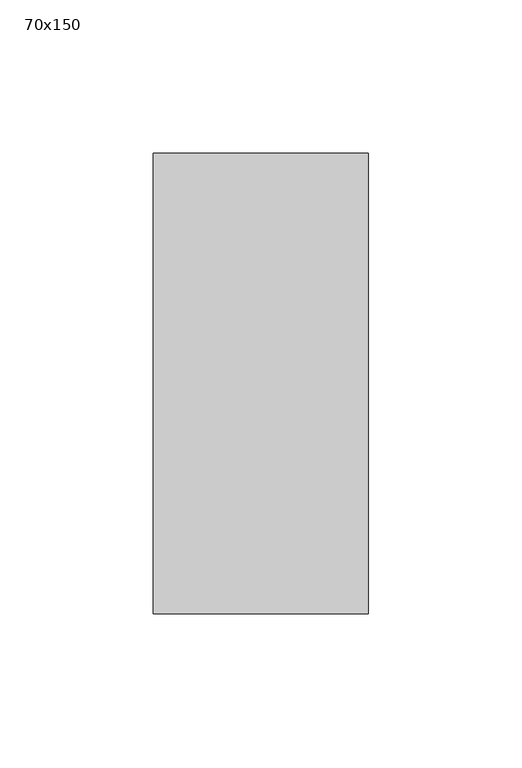
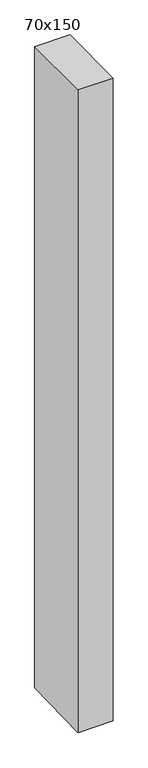
"""IFC4 building model written with IfcOpenShell, lengths in millimetres: member geometry, 70x150."""

from ifc_helpers import new_model, si_unit, frame, origin, place, context, project, spatial, polyline, outline, extrude, source, transform, mapped, element, save


def member_70x150_fe92fd29(model_context):
    return source(origin(), model_context, "Body", "SweptSolid", [
        extrude(outline(polyline([(-75.0, 0.0), (75.0, 0.0), (75.0, -1352.724988), (-75.0, -1356.0140574), (-75.0, 0.0)])), frame((-70.0, 0.0, 0.0), z_axis=(1.0, 0.0, 0.0), x_axis=(0.0, 1.0, 0.0)), (0.0, 0.0, 1.0), 70.0),
    ])


if __name__ == "__main__":
    model = new_model("IFC4")
    model_context = context("Model", 3, world=origin())
    ifc_project = project(units=[si_unit("LENGTHUNIT", "METRE", prefix="MILLI")], contexts=[model_context])
    site = spatial("IfcSite", under=ifc_project)
    building = spatial("IfcBuilding", under=site)
    placement = place(None, origin())
    member_70x150_shape = member_70x150_fe92fd29(model_context)
    element("IfcMember", 1, ObjectType="70x150", at=placement, inside=building, context=model_context, shape_type="MappedRepresentation", body=[
        mapped(member_70x150_shape, transform((0.0, 0.0, 0.0), x_axis=(1.0, 0.0, 0.0), y_axis=(0.0, 1.0, 0.0), z_axis=(0.0, 0.0, 1.0))),
    ])
    save(model, "model.ifc")
